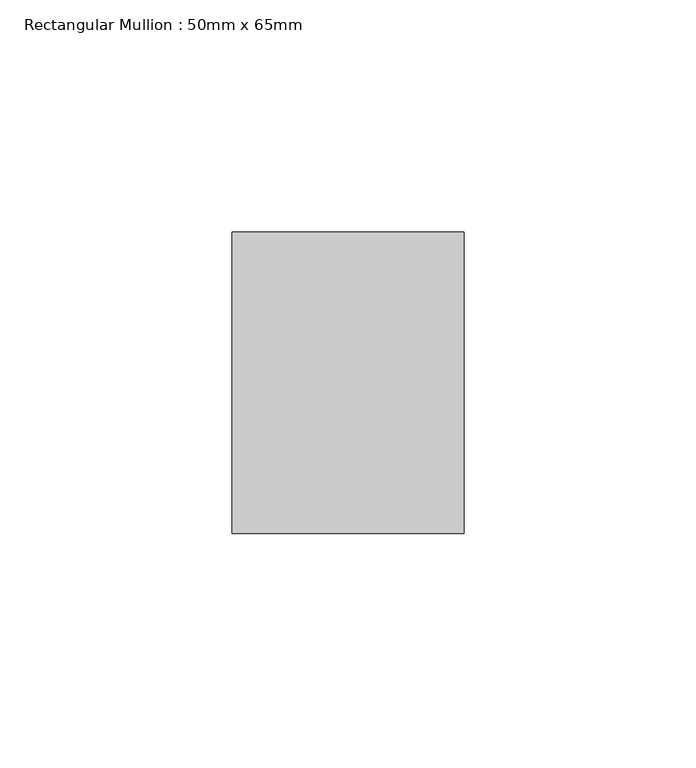
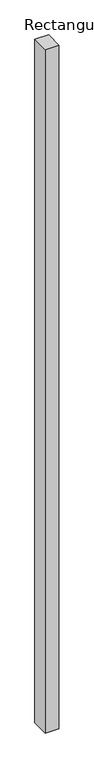
"""IFC4 building model written with IfcOpenShell, lengths in millimetres: member geometry, Rectangular Mullion : 50mm x 65mm."""

from ifc_helpers import new_model, si_unit, frame, origin, place, context, project, spatial, polyline, outline, extrude, source, transform, mapped, element, save


def rectangular_mullion_50mm_x_65mm_67ea0134(model_context):
    return source(origin(), model_context, "Body", "SweptSolid", [
        extrude(outline(polyline([(25.0, 32.5), (25.0, -32.5), (-25.0, -32.5), (-25.0, 32.5), (25.0, 32.5)])), frame((0.0, 0.0, -2625.0752651), z_axis=(0.0, 0.0, 1.0), x_axis=(1.0, 0.0, 0.0)), (0.0, 0.0, 1.0), 2625.0752651),
    ])


if __name__ == "__main__":
    model = new_model("IFC4")
    model_context = context("Model", 3, world=origin())
    ifc_project = project(units=[si_unit("LENGTHUNIT", "METRE", prefix="MILLI")], contexts=[model_context])
    site = spatial("IfcSite", under=ifc_project)
    building = spatial("IfcBuilding", under=site)
    placement = place(None, origin())
    rectangular_mullion_50mm_x_65mm_shape = rectangular_mullion_50mm_x_65mm_67ea0134(model_context)
    element("IfcMember", 1, ObjectType="Rectangular Mullion : 50mm x 65mm", at=placement, inside=building, context=model_context, shape_type="MappedRepresentation", body=[
        mapped(rectangular_mullion_50mm_x_65mm_shape, transform((0.0, 0.0, 0.0), x_axis=(1.0, 0.0, 0.0), y_axis=(0.0, 1.0, 0.0), z_axis=(0.0, 0.0, 1.0))),
    ])
    save(model, "model.ifc")
